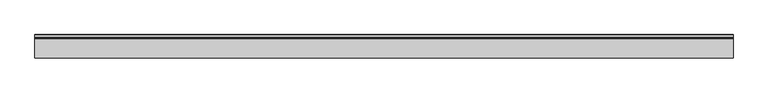
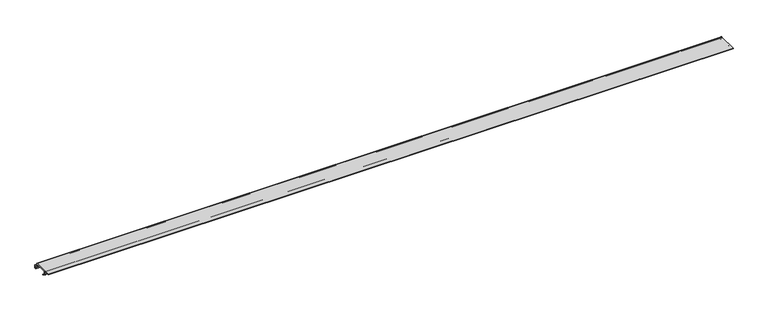
"""IFC4 building model written with IfcOpenShell, lengths in millimetres: proxy geometry."""

from ifc_helpers import new_model, si_unit, point, frame, frame_2d, origin, place, context, project, spatial, polyline, circle_curve, trimmed, segment, composite_curve, outline, extrude, source, transform, mapped, element, save


def generic_models_90c5360f(model_context):
    return source(origin(), model_context, "Body", "SweptSolid", [
        extrude(outline(composite_curve([segment(trimmed(circle_curve(frame_2d((-33.4636484, 22.9399889)), 1.8496399), [point((-33.4636484, 24.7896287))], [point((-31.6140086, 22.9399889))], False, "CARTESIAN"), True, "CONTINUOUS"), segment(polyline([(-31.6140086, 22.9399889), (-31.6140086, 18.8352017)]), True, "CONTINUOUS"), segment(trimmed(circle_curve(frame_2d((-29.9077885, 18.8352017)), 1.70622), [point((-31.6140086, 18.8352017))], [point((-30.6823962, 17.3149486))], True, "CARTESIAN"), True, "CONTINUOUS"), segment(polyline([(-30.6823962, 17.3149486), (-23.4329349, 13.6211635)]), True, "CONTINUOUS"), segment(trimmed(circle_curve(frame_2d((-24.9453175, 10.6529455)), 3.331309), [point((-23.4329349, 13.6211635))], [point((-21.6140086, 10.6529455))], False, "CARTESIAN"), True, "CONTINUOUS"), segment(polyline([(-21.6140086, 10.6529455), (-21.6140086, 4.6116865)]), True, "CONTINUOUS"), segment(trimmed(circle_curve(frame_2d((-24.1235663, 4.6116865)), 2.5095577), [point((-21.6140086, 4.6116865))], [point((-24.1235663, 2.1021287))], False, "CARTESIAN"), True, "CONTINUOUS"), segment(polyline([(-24.1235663, 2.1021287), (-25.6140086, 2.1021287), (-25.6140086, 4.1021287), (-24.3354377, 4.1021287)]), True, "CONTINUOUS"), segment(trimmed(circle_curve(frame_2d((-24.3354377, 4.8235579)), 0.7214291), [point((-24.3354377, 4.1021287))], [point((-23.6140086, 4.8235579))], True, "CARTESIAN"), True, "CONTINUOUS"), segment(polyline([(-23.6140086, 4.8235579), (-23.6140086, 10.0146763)]), True, "CONTINUOUS"), segment(trimmed(circle_curve(frame_2d((-25.9868782, 10.0146763)), 2.3728696), [point((-23.6140086, 10.0146763))], [point((-24.9096179, 12.1289186))], True, "CARTESIAN"), True, "CONTINUOUS"), segment(polyline([(-24.9096179, 12.1289186), (-32.038587, 15.7613098)]), True, "CONTINUOUS"), segment(trimmed(circle_curve(frame_2d((-30.7286713, 18.3321641)), 2.8853373), [point((-32.038587, 15.7613098))], [point((-33.6140086, 18.3321641))], False, "CARTESIAN"), True, "CONTINUOUS"), segment(polyline([(-33.6140086, 18.3321641), (-33.6140086, 20.6613256)]), True, "CONTINUOUS"), segment(trimmed(circle_curve(frame_2d((-35.7423117, 20.6613256)), 2.1283032), [point((-33.6140086, 20.6613256))], [point((-35.7423117, 22.7896287))], True, "CARTESIAN"), True, "CONTINUOUS"), segment(polyline([(-35.7423117, 22.7896287), (-71.9641405, 22.7896287)]), True, "CONTINUOUS"), segment(trimmed(circle_curve(frame_2d((-71.9641405, 20.1397607)), 2.6498681), [point((-71.9641405, 22.7896287))], [point((-74.6140086, 20.1397607))], True, "CARTESIAN"), True, "CONTINUOUS"), segment(polyline([(-74.6140086, 20.1397607), (-74.6140086, 13.7133542)]), True, "CONTINUOUS"), segment(trimmed(circle_curve(frame_2d((-71.8429222, 13.7133542)), 2.7710864), [point((-74.6140086, 13.7133542))], [point((-73.1009691, 11.2442982))], True, "CARTESIAN"), True, "CONTINUOUS"), segment(polyline([(-73.1009691, 11.2442982), (-65.1024413, 7.1688447), (-65.1024413, 4.9241923), (-74.89226, 9.912354)]), True, "CONTINUOUS"), segment(trimmed(circle_curve(frame_2d((-73.4606778, 12.7219923)), 3.1533308), [point((-74.89226, 9.912354))], [point((-76.6140086, 12.7219923))], False, "CARTESIAN"), True, "CONTINUOUS"), segment(polyline([(-76.6140086, 12.7219923), (-76.6140086, 20.3530431)]), True, "CONTINUOUS"), segment(trimmed(circle_curve(frame_2d((-79.0505942, 20.3530431)), 2.4365856), [point((-76.6140086, 20.3530431))], [point((-79.0505942, 22.7896287))], True, "CARTESIAN"), True, "CONTINUOUS"), segment(polyline([(-79.0505942, 22.7896287), (-96.1140086, 22.7896287), (-96.1140086, 24.7896287), (-33.4636484, 24.7896287)]), True, "CONTINUOUS")], self_intersect=False)), frame((0.0, 0.0, 0.0), z_axis=(1.0, 0.0, 0.0), x_axis=(0.0, 1.0, 0.0)), (0.0, 0.0, 1.0), 2220.0),
    ])


if __name__ == "__main__":
    model = new_model("IFC4")
    model_context = context("Model", 3, world=origin())
    ifc_project = project(units=[si_unit("LENGTHUNIT", "METRE", prefix="MILLI")], contexts=[model_context])
    site = spatial("IfcSite", under=ifc_project)
    building = spatial("IfcBuilding", under=site)
    placement = place(None, origin())
    generic_models_shape = generic_models_90c5360f(model_context)
    element("IfcBuildingElementProxy", 1, Name="Generic Models", at=placement, inside=building, context=model_context, shape_type="MappedRepresentation", body=[
        mapped(generic_models_shape, transform((0.0, 0.0, 0.0), x_axis=(1.0, 0.0, 0.0), y_axis=(0.0, 1.0, 0.0), z_axis=(0.0, 0.0, 1.0))),
    ])
    save(model, "model.ifc")
